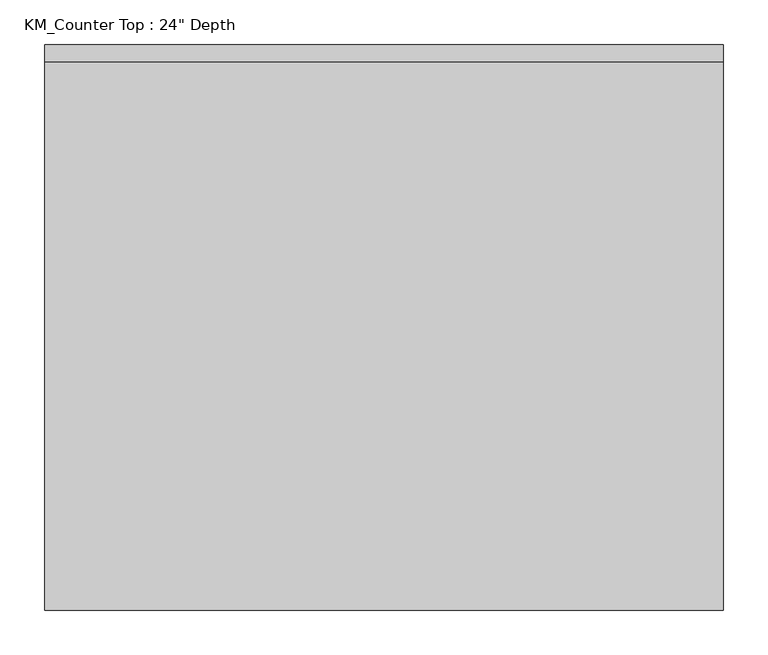
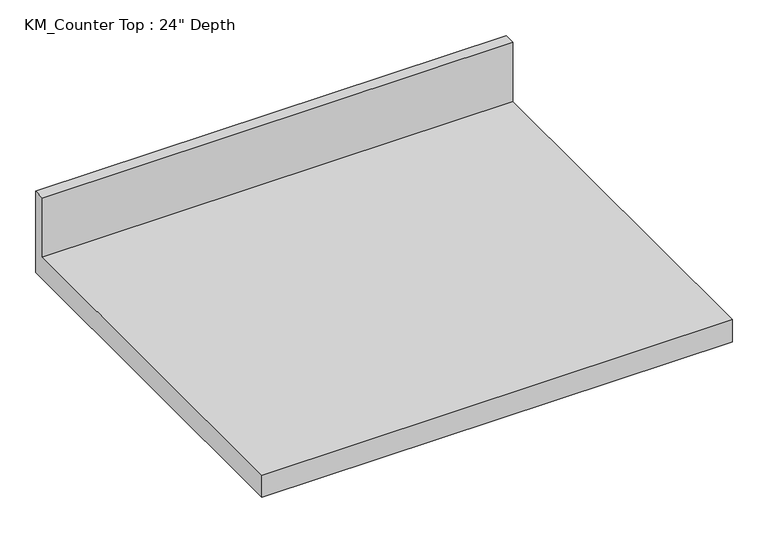
"""IFC4 building model written with IfcOpenShell, lengths in millimetres: furniture geometry."""

import ifcopenshell
import ifcopenshell.guid

model = None  # the IFC model being written
_history = None  # IfcOwnerHistory: only IFC2X3 demands one
_inside = {}  # id of a spatial element -> (the spatial element, [elements in it])
_under = {}  # id of a project, library or spatial element -> (it, [spatial elements below it])
_declared = {}  # id of a project -> (the project, [libraries it declares])
_typed = {}  # id of a type object -> (the type object, [elements of that type])
_made_of = {}  # id of a material, layer set ... -> (it, [elements and type objects made of it])


def new_model(schema):
    """Start an empty IFC model of exactly this schema.

    Asked for "IFC4X3", IfcOpenShell would pick the latest addendum, in which some entities
    have other attributes; the version numbers below select the first issue.
    IFC2X3 requires an IfcOwnerHistory on every rooted entity: one is made here for all.
    """
    global model, _history
    if schema == "IFC4X3":
        model = ifcopenshell.file(schema_version=(4, 3, 0, 0))
    else:
        model = ifcopenshell.file(schema=schema)
    _inside.clear()
    _under.clear()
    _declared.clear()
    _typed.clear()
    _made_of.clear()
    _history = None
    if model.schema == "IFC2X3":
        org = make("IfcOrganization", Name="unknown")
        user = make(
            "IfcPersonAndOrganization",
            ThePerson=make("IfcPerson", FamilyName="unknown"),
            TheOrganization=org,
        )
        app = make(
            "IfcApplication",
            ApplicationDeveloper=org,
            Version="unknown",
            ApplicationFullName="unknown",
            ApplicationIdentifier="unknown",
        )
        _history = make(
            "IfcOwnerHistory",
            OwningUser=user,
            OwningApplication=app,
            ChangeAction="ADDED",
            CreationDate=0,
        )
    return model


def make(cls, **values):
    """One entity of the class cls with the attributes given. An attribute that is None is left unset."""
    return model.create_entity(
        cls, **{name: value for name, value in values.items() if value is not None}
    )


def rooted(cls, **values):
    """An entity with a GlobalId (a new one), such as an element, a storey or a relation."""
    return make(cls, GlobalId=ifcopenshell.guid.new(), OwnerHistory=_history, **values)


def si_unit(unit_type, name, prefix=None):
    """IfcSIUnit, for example si_unit("LENGTHUNIT", "METRE", prefix="MILLI")."""
    return make("IfcSIUnit", UnitType=unit_type, Prefix=prefix, Name=name)


def assignment(units):
    """IfcUnitAssignment: the units of a project."""
    return None if units is None else make("IfcUnitAssignment", Units=units)


def point(xyz):
    """IfcCartesianPoint."""
    return None if xyz is None else make("IfcCartesianPoint", Coordinates=xyz)


def direction(xyz):
    """IfcDirection."""
    return None if xyz is None else make("IfcDirection", DirectionRatios=xyz)


def frame(location, z_axis=None, x_axis=None):
    """IfcAxis2Placement3D, a coordinate frame: its origin and axes. An axis left out is left unset."""
    return make(
        "IfcAxis2Placement3D",
        Location=point(location),
        Axis=direction(z_axis),
        RefDirection=direction(x_axis),
    )


def origin():
    """The frame at (0, 0, 0) with its axes left unset."""
    return frame((0.0, 0.0, 0.0))


def place(relative_to, where):
    """IfcLocalPlacement: puts the frame where relative to a parent placement (None: the world)."""
    return make(
        "IfcLocalPlacement", PlacementRelTo=relative_to, RelativePlacement=where
    )


def context(
    kind, dimensions, precision=None, world=None, true_north=None, identifier=None
):
    """IfcGeometricRepresentationContext, for example the 3D "Model" context."""
    return make(
        "IfcGeometricRepresentationContext",
        ContextIdentifier=identifier,
        ContextType=kind,
        CoordinateSpaceDimension=dimensions,
        Precision=precision,
        WorldCoordinateSystem=world,
        TrueNorth=true_north,
    )


def project(units=None, contexts=None):
    """IfcProject with its units and contexts."""
    return rooted(
        "IfcProject",
        Name="project",
        RepresentationContexts=contexts,
        UnitsInContext=assignment(units),
    )


def spatial(cls, under=None, at=None, **own):
    """A site, building, storey or space (cls), placed at a placement, below another one or the project."""
    s = rooted(cls, ObjectPlacement=at, **own)
    if under is not None:
        _under.setdefault(under.id(), (under, []))[1].append(s)
    return s


def polyline(points):
    """IfcPolyline through the points."""
    return make("IfcPolyline", Points=[point(p) for p in points])


def outline(outer, holes=None, kind="AREA"):
    """IfcArbitraryClosedProfileDef: a profile drawn as a closed curve; with holes, ...WithVoids."""
    if holes is None:
        return make("IfcArbitraryClosedProfileDef", ProfileType=kind, OuterCurve=outer)
    return make(
        "IfcArbitraryProfileDefWithVoids",
        ProfileType=kind,
        OuterCurve=outer,
        InnerCurves=holes,
    )


def extrude(swept, where, along, depth):
    """IfcExtrudedAreaSolid: the profile swept, set in the frame where, extruded along a direction by depth."""
    return make(
        "IfcExtrudedAreaSolid",
        SweptArea=swept,
        Position=where,
        ExtrudedDirection=direction(along),
        Depth=depth,
    )


def shape(context_of_items, identifier, shape_type, items):
    """IfcShapeRepresentation: the items that make up one representation, for example the "Body"."""
    return make(
        "IfcShapeRepresentation",
        ContextOfItems=context_of_items,
        RepresentationIdentifier=identifier,
        RepresentationType=shape_type,
        Items=items,
    )


def source(mapping_origin, context_of_items, identifier, shape_type, items):
    """IfcRepresentationMap: a shape defined once, which mapped items show again and again."""
    return make(
        "IfcRepresentationMap",
        MappingOrigin=mapping_origin,
        MappedRepresentation=shape(context_of_items, identifier, shape_type, items),
    )


def transform(
    local_origin,
    x_axis=None,
    y_axis=None,
    z_axis=None,
    scale=None,
    scale2=None,
    scale3=None,
    uniform=True,
):
    """IfcCartesianTransformationOperator3D, or its non-uniform kind. x_axis, y_axis, z_axis: its Axis1, 2, 3."""
    if uniform:
        return make(
            "IfcCartesianTransformationOperator3D",
            Axis1=direction(x_axis),
            Axis2=direction(y_axis),
            LocalOrigin=point(local_origin),
            Scale=scale,
            Axis3=direction(z_axis),
        )
    return make(
        "IfcCartesianTransformationOperator3DnonUniform",
        Axis1=direction(x_axis),
        Axis2=direction(y_axis),
        LocalOrigin=point(local_origin),
        Scale=scale,
        Axis3=direction(z_axis),
        Scale2=scale2,
        Scale3=scale3,
    )


def mapped(mapping_source, mapping_target):
    """IfcMappedItem: shows the shape of a source again, moved by a transform."""
    return make(
        "IfcMappedItem", MappingSource=mapping_source, MappingTarget=mapping_target
    )


def made_of(thing, what):
    """Note that an element or type object is made of a material, layer set ...; save() writes the relation."""
    if what is not None:
        _made_of.setdefault(what.id(), (what, []))[1].append(thing)
    return thing


def element(
    cls,
    number,
    at=None,
    inside=None,
    cuts=None,
    type_object=None,
    material=None,
    context=None,
    identifier="Body",
    shape_type=None,
    held_by="IfcProductDefinitionShape",
    body=None,
    shapes=None,
    **own,
):
    """One element of the class cls, such as IfcWall. Its Tag is "e" and its number.

    at: its placement. inside: the storey or other place that contains it. cuts: it is an
    opening in that element (IfcRelVoidsElement). A single representation is given by context,
    identifier, shape_type and body (its items); several are given by shapes. held_by: the class
    of the entity that holds the representations. save() writes the other relations.
    """
    e = rooted(cls, Tag="e%d" % number, ObjectPlacement=at, **own)
    if body is not None:
        shapes = [shape(context, identifier, shape_type, body)]
    if shapes is not None:
        e.Representation = make(held_by, Representations=shapes)
    if inside is not None:
        _inside.setdefault(inside.id(), (inside, []))[1].append(e)
    if cuts is not None:
        rooted(
            "IfcRelVoidsElement", RelatingBuildingElement=cuts, RelatedOpeningElement=e
        )
    if type_object is not None:
        _typed.setdefault(type_object.id(), (type_object, []))[1].append(e)
    return made_of(e, material)


def aggregate(whole, parts):
    """IfcRelAggregates: a whole, such as a stair, and the parts it consists of."""
    return rooted("IfcRelAggregates", RelatingObject=whole, RelatedObjects=parts)


def save(model, path):
    """Write the relations noted so far, then the file.

    IfcRelAggregates (storeys below a building ...), IfcRelContainedInSpatialStructure (elements
    in a storey), IfcRelDefinesByType, IfcRelAssociatesMaterial and IfcRelDeclares: one each for
    every whole, place, type object, material and project.
    """
    for whole, parts in _under.values():
        aggregate(whole, parts)
    for where, things in _inside.values():
        rooted(
            "IfcRelContainedInSpatialStructure",
            RelatedElements=things,
            RelatingStructure=where,
        )
    for kind, things in _typed.values():
        rooted("IfcRelDefinesByType", RelatedObjects=things, RelatingType=kind)
    for what, things in _made_of.values():
        rooted("IfcRelAssociatesMaterial", RelatedObjects=things, RelatingMaterial=what)
    for by, libraries in _declared.values():
        rooted("IfcRelDeclares", RelatingContext=by, RelatedDefinitions=libraries)
    model.write(path)


def furniture_fd37aa56(model_context):
    return source(origin(), model_context, "Body", "SweptSolid", [
        extrude(outline(polyline([(0.0, 965.2), (0.0, 825.5), (-635.0, 825.5), (-635.0, 863.6), (-19.05, 863.6), (-19.05, 965.2), (0.0, 965.2)])), frame((-1200.4622951, 0.0, 0.0), z_axis=(1.0, 0.0, 0.0), x_axis=(0.0, 1.0, 0.0)), (0.0, 0.0, 1.0), 762.0),
    ])


if __name__ == "__main__":
    model = new_model("IFC4")
    model_context = context("Model", 3, world=origin())
    ifc_project = project(units=[si_unit("LENGTHUNIT", "METRE", prefix="MILLI")], contexts=[model_context])
    site = spatial("IfcSite", under=ifc_project)
    building = spatial("IfcBuilding", under=site)
    placement = place(None, origin())
    furniture_shape = furniture_fd37aa56(model_context)
    element("IfcFurniture", 1, ObjectType="KM_Counter Top : 24\" Depth", at=placement, inside=building, context=model_context, shape_type="MappedRepresentation", body=[
        mapped(furniture_shape, transform((0.0, 0.0, 0.0), x_axis=(1.0, 0.0, 0.0), y_axis=(0.0, 1.0, 0.0), z_axis=(0.0, 0.0, 1.0))),
    ])
    save(model, "model.ifc")
